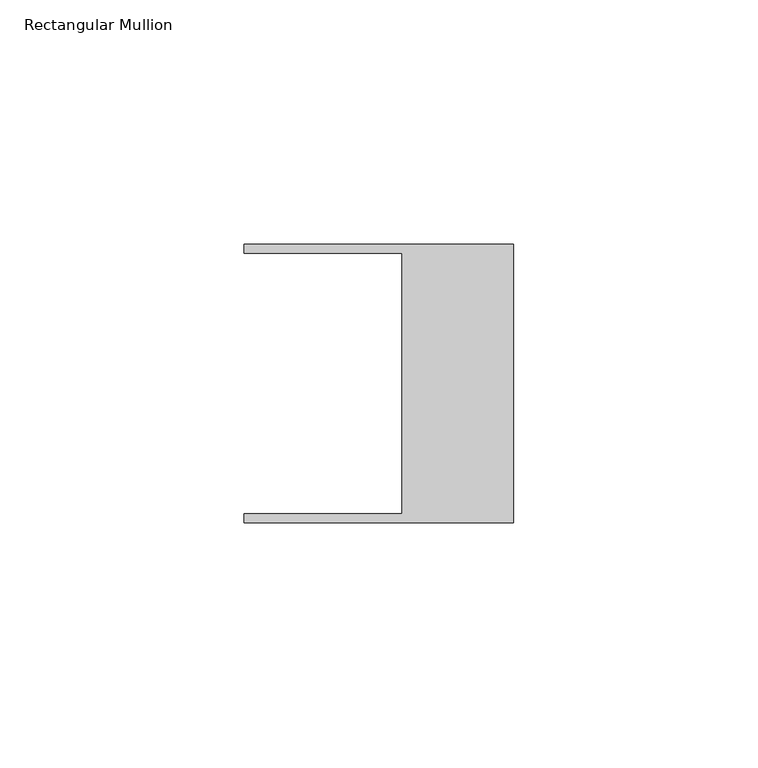
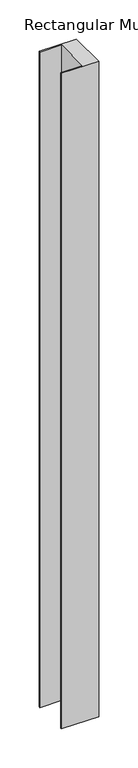
"""IFC4 building model written with IfcOpenShell, lengths in millimetres: member geometry, Rectangular Mullion."""

import ifcopenshell
import ifcopenshell.guid

model = None  # the IFC model being written
_history = None  # IfcOwnerHistory: only IFC2X3 demands one
_inside = {}  # id of a spatial element -> (the spatial element, [elements in it])
_under = {}  # id of a project, library or spatial element -> (it, [spatial elements below it])
_declared = {}  # id of a project -> (the project, [libraries it declares])
_typed = {}  # id of a type object -> (the type object, [elements of that type])
_made_of = {}  # id of a material, layer set ... -> (it, [elements and type objects made of it])


def new_model(schema):
    """Start an empty IFC model of exactly this schema.

    Asked for "IFC4X3", IfcOpenShell would pick the latest addendum, in which some entities
    have other attributes; the version numbers below select the first issue.
    IFC2X3 requires an IfcOwnerHistory on every rooted entity: one is made here for all.
    """
    global model, _history
    if schema == "IFC4X3":
        model = ifcopenshell.file(schema_version=(4, 3, 0, 0))
    else:
        model = ifcopenshell.file(schema=schema)
    _inside.clear()
    _under.clear()
    _declared.clear()
    _typed.clear()
    _made_of.clear()
    _history = None
    if model.schema == "IFC2X3":
        org = make("IfcOrganization", Name="unknown")
        user = make(
            "IfcPersonAndOrganization",
            ThePerson=make("IfcPerson", FamilyName="unknown"),
            TheOrganization=org,
        )
        app = make(
            "IfcApplication",
            ApplicationDeveloper=org,
            Version="unknown",
            ApplicationFullName="unknown",
            ApplicationIdentifier="unknown",
        )
        _history = make(
            "IfcOwnerHistory",
            OwningUser=user,
            OwningApplication=app,
            ChangeAction="ADDED",
            CreationDate=0,
        )
    return model


def make(cls, **values):
    """One entity of the class cls with the attributes given. An attribute that is None is left unset."""
    return model.create_entity(
        cls, **{name: value for name, value in values.items() if value is not None}
    )


def rooted(cls, **values):
    """An entity with a GlobalId (a new one), such as an element, a storey or a relation."""
    return make(cls, GlobalId=ifcopenshell.guid.new(), OwnerHistory=_history, **values)


def si_unit(unit_type, name, prefix=None):
    """IfcSIUnit, for example si_unit("LENGTHUNIT", "METRE", prefix="MILLI")."""
    return make("IfcSIUnit", UnitType=unit_type, Prefix=prefix, Name=name)


def assignment(units):
    """IfcUnitAssignment: the units of a project."""
    return None if units is None else make("IfcUnitAssignment", Units=units)


def point(xyz):
    """IfcCartesianPoint."""
    return None if xyz is None else make("IfcCartesianPoint", Coordinates=xyz)


def direction(xyz):
    """IfcDirection."""
    return None if xyz is None else make("IfcDirection", DirectionRatios=xyz)


def frame(location, z_axis=None, x_axis=None):
    """IfcAxis2Placement3D, a coordinate frame: its origin and axes. An axis left out is left unset."""
    return make(
        "IfcAxis2Placement3D",
        Location=point(location),
        Axis=direction(z_axis),
        RefDirection=direction(x_axis),
    )


def origin():
    """The frame at (0, 0, 0) with its axes left unset."""
    return frame((0.0, 0.0, 0.0))


def place(relative_to, where):
    """IfcLocalPlacement: puts the frame where relative to a parent placement (None: the world)."""
    return make(
        "IfcLocalPlacement", PlacementRelTo=relative_to, RelativePlacement=where
    )


def context(
    kind, dimensions, precision=None, world=None, true_north=None, identifier=None
):
    """IfcGeometricRepresentationContext, for example the 3D "Model" context."""
    return make(
        "IfcGeometricRepresentationContext",
        ContextIdentifier=identifier,
        ContextType=kind,
        CoordinateSpaceDimension=dimensions,
        Precision=precision,
        WorldCoordinateSystem=world,
        TrueNorth=true_north,
    )


def project(units=None, contexts=None):
    """IfcProject with its units and contexts."""
    return rooted(
        "IfcProject",
        Name="project",
        RepresentationContexts=contexts,
        UnitsInContext=assignment(units),
    )


def spatial(cls, under=None, at=None, **own):
    """A site, building, storey or space (cls), placed at a placement, below another one or the project."""
    s = rooted(cls, ObjectPlacement=at, **own)
    if under is not None:
        _under.setdefault(under.id(), (under, []))[1].append(s)
    return s


def polyline(points):
    """IfcPolyline through the points."""
    return make("IfcPolyline", Points=[point(p) for p in points])


def outline(outer, holes=None, kind="AREA"):
    """IfcArbitraryClosedProfileDef: a profile drawn as a closed curve; with holes, ...WithVoids."""
    if holes is None:
        return make("IfcArbitraryClosedProfileDef", ProfileType=kind, OuterCurve=outer)
    return make(
        "IfcArbitraryProfileDefWithVoids",
        ProfileType=kind,
        OuterCurve=outer,
        InnerCurves=holes,
    )


def extrude(swept, where, along, depth):
    """IfcExtrudedAreaSolid: the profile swept, set in the frame where, extruded along a direction by depth."""
    return make(
        "IfcExtrudedAreaSolid",
        SweptArea=swept,
        Position=where,
        ExtrudedDirection=direction(along),
        Depth=depth,
    )


def shape(context_of_items, identifier, shape_type, items):
    """IfcShapeRepresentation: the items that make up one representation, for example the "Body"."""
    return make(
        "IfcShapeRepresentation",
        ContextOfItems=context_of_items,
        RepresentationIdentifier=identifier,
        RepresentationType=shape_type,
        Items=items,
    )


def source(mapping_origin, context_of_items, identifier, shape_type, items):
    """IfcRepresentationMap: a shape defined once, which mapped items show again and again."""
    return make(
        "IfcRepresentationMap",
        MappingOrigin=mapping_origin,
        MappedRepresentation=shape(context_of_items, identifier, shape_type, items),
    )


def transform(
    local_origin,
    x_axis=None,
    y_axis=None,
    z_axis=None,
    scale=None,
    scale2=None,
    scale3=None,
    uniform=True,
):
    """IfcCartesianTransformationOperator3D, or its non-uniform kind. x_axis, y_axis, z_axis: its Axis1, 2, 3."""
    if uniform:
        return make(
            "IfcCartesianTransformationOperator3D",
            Axis1=direction(x_axis),
            Axis2=direction(y_axis),
            LocalOrigin=point(local_origin),
            Scale=scale,
            Axis3=direction(z_axis),
        )
    return make(
        "IfcCartesianTransformationOperator3DnonUniform",
        Axis1=direction(x_axis),
        Axis2=direction(y_axis),
        LocalOrigin=point(local_origin),
        Scale=scale,
        Axis3=direction(z_axis),
        Scale2=scale2,
        Scale3=scale3,
    )


def mapped(mapping_source, mapping_target):
    """IfcMappedItem: shows the shape of a source again, moved by a transform."""
    return make(
        "IfcMappedItem", MappingSource=mapping_source, MappingTarget=mapping_target
    )


def made_of(thing, what):
    """Note that an element or type object is made of a material, layer set ...; save() writes the relation."""
    if what is not None:
        _made_of.setdefault(what.id(), (what, []))[1].append(thing)
    return thing


def element(
    cls,
    number,
    at=None,
    inside=None,
    cuts=None,
    type_object=None,
    material=None,
    context=None,
    identifier="Body",
    shape_type=None,
    held_by="IfcProductDefinitionShape",
    body=None,
    shapes=None,
    **own,
):
    """One element of the class cls, such as IfcWall. Its Tag is "e" and its number.

    at: its placement. inside: the storey or other place that contains it. cuts: it is an
    opening in that element (IfcRelVoidsElement). A single representation is given by context,
    identifier, shape_type and body (its items); several are given by shapes. held_by: the class
    of the entity that holds the representations. save() writes the other relations.
    """
    e = rooted(cls, Tag="e%d" % number, ObjectPlacement=at, **own)
    if body is not None:
        shapes = [shape(context, identifier, shape_type, body)]
    if shapes is not None:
        e.Representation = make(held_by, Representations=shapes)
    if inside is not None:
        _inside.setdefault(inside.id(), (inside, []))[1].append(e)
    if cuts is not None:
        rooted(
            "IfcRelVoidsElement", RelatingBuildingElement=cuts, RelatedOpeningElement=e
        )
    if type_object is not None:
        _typed.setdefault(type_object.id(), (type_object, []))[1].append(e)
    return made_of(e, material)


def aggregate(whole, parts):
    """IfcRelAggregates: a whole, such as a stair, and the parts it consists of."""
    return rooted("IfcRelAggregates", RelatingObject=whole, RelatedObjects=parts)


def save(model, path):
    """Write the relations noted so far, then the file.

    IfcRelAggregates (storeys below a building ...), IfcRelContainedInSpatialStructure (elements
    in a storey), IfcRelDefinesByType, IfcRelAssociatesMaterial and IfcRelDeclares: one each for
    every whole, place, type object, material and project.
    """
    for whole, parts in _under.values():
        aggregate(whole, parts)
    for where, things in _inside.values():
        rooted(
            "IfcRelContainedInSpatialStructure",
            RelatedElements=things,
            RelatingStructure=where,
        )
    for kind, things in _typed.values():
        rooted("IfcRelDefinesByType", RelatedObjects=things, RelatingType=kind)
    for what, things in _made_of.values():
        rooted("IfcRelAssociatesMaterial", RelatedObjects=things, RelatingMaterial=what)
    for by, libraries in _declared.values():
        rooted("IfcRelDeclares", RelatingContext=by, RelatedDefinitions=libraries)
    model.write(path)


def rectangular_mullion_139855f7(model_context):
    return source(origin(), model_context, "Body", "SweptSolid", [
        extrude(outline(polyline([(-55.118, -26.67), (-22.86, -26.67), (-22.86, 26.67), (-55.118, 26.67), (-55.118, 28.448), (0.0, 28.448), (0.0, -28.448), (-55.118, -28.448), (-55.118, -26.67)])), frame((0.0, 0.0, -1024.9917465), z_axis=(0.0, 0.0, 1.0), x_axis=(1.0, 0.0, 0.0)), (0.0, 0.0, 1.0), 1024.9917465),
    ])


if __name__ == "__main__":
    model = new_model("IFC4")
    model_context = context("Model", 3, world=origin())
    ifc_project = project(units=[si_unit("LENGTHUNIT", "METRE", prefix="MILLI")], contexts=[model_context])
    site = spatial("IfcSite", under=ifc_project)
    building = spatial("IfcBuilding", under=site)
    placement = place(None, origin())
    rectangular_mullion_shape = rectangular_mullion_139855f7(model_context)
    element("IfcMember", 1, ObjectType="Rectangular Mullion", at=placement, inside=building, context=model_context, shape_type="MappedRepresentation", body=[
        mapped(rectangular_mullion_shape, transform((0.0, 0.0, 0.0), x_axis=(1.0, 0.0, 0.0), y_axis=(0.0, 1.0, 0.0), z_axis=(0.0, 0.0, 1.0))),
    ])
    save(model, "model.ifc")
